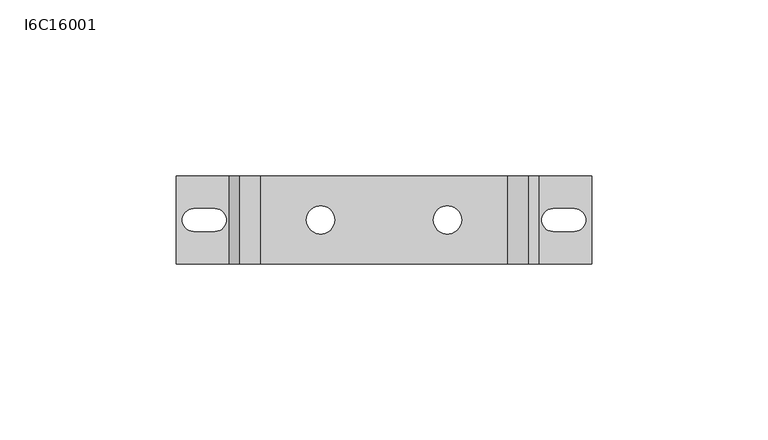
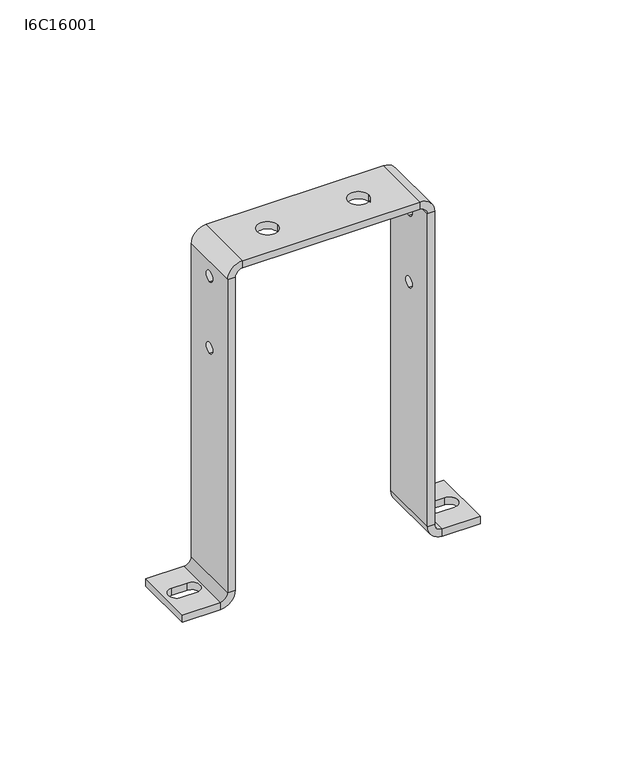
"""IFC4 building model written with IfcOpenShell, lengths in millimetres: proxy geometry, I6C16001."""

from ifc_helpers import new_model, si_unit, frame, origin, place, context, project, spatial, polyline, circle_curve, source, transform, mapped, element, save
from ifc_brep_helpers import plane_surface, cylinder_surface, revolved_surface, advanced_brep


def i6c16001_24a55386(model_context):
    return source(origin(), model_context, "Body", "AdvancedBrep", [
        advanced_brep(
        [(-41.0, 0.0, 95.75), (-38.0, 0.0, 95.75), (-38.0, 0.0, 100.25), (-41.0, 0.0, 100.25), (38.0, 0.0, 95.75), (41.0, 0.0, 95.75), (41.0, 0.0, 100.25), (38.0, 0.0, 100.25), (-41.0, 0.0, 125.75), (-38.0, 0.0, 125.75), (-38.0, 0.0, 130.25), (-41.0, 0.0, 130.25), (38.0, 0.0, 125.75), (41.0, 0.0, 125.75), (41.0, 0.0, 130.25), (38.0, 0.0, 130.25), (-22.0, 0.0, 137.0), (-22.0, 0.0, 140.0), (-14.0, 0.0, 140.0), (-14.0, 0.0, 137.0), (14.0, 0.0, 137.0), (14.0, 0.0, 140.0), (22.0, 0.0, 140.0), (22.0, 0.0, 137.0), (-48.0, -3.25, 0.0), (-48.0, 3.25, 0.0), (-48.0, 3.25, -3.0), (-48.0, -3.25, -3.0), (-54.0, 3.25, 0.0), (-54.0, 3.25, -3.0), (-54.0, -3.25, 0.0), (-54.0, -3.25, -3.0), (54.0, -3.25, 0.0), (54.0, 3.25, 0.0), (54.0, 3.25, -3.0), (54.0, -3.25, -3.0), (48.0, 3.25, 0.0), (48.0, 3.25, -3.0), (48.0, -3.25, 0.0), (48.0, -3.25, -3.0), (-44.0, -12.5, -3.0), (-44.0, -12.5, 0.0), (-59.0, -12.5, 0.0), (-59.0, -12.5, -3.0), (-44.0, 12.5, -3.0), (-38.0, 12.5, 3.0), (-38.0, -12.5, 3.0), (-44.0, 12.5, 0.0), (-59.0, 12.5, 0.0), (-41.0, 12.5, 3.0), (-59.0, 12.5, -3.0), (-41.0, -12.5, 3.0), (-41.0, -12.5, 134.0), (-41.0, 12.5, 134.0), (-38.0, -12.5, 134.0), (-38.0, 12.5, 134.0), (-35.0, 12.5, 137.0), (-35.0, -12.5, 137.0), (-35.0, 12.5, 140.0), (-35.0, -12.5, 140.0), (35.0, -12.5, 140.0), (35.0, 12.5, 140.0), (35.0, -12.5, 137.0), (35.0, 12.5, 137.0), (38.0, 12.5, 134.0), (38.0, -12.5, 134.0), (41.0, 12.5, 134.0), (41.0, -12.5, 134.0), (41.0, -12.5, 3.0), (41.0, 12.5, 3.0), (38.0, -12.5, 3.0), (38.0, 12.5, 3.0), (44.0, 12.5, -3.0), (44.0, -12.5, -3.0), (44.0, 12.5, 0.0), (44.0, -12.5, 0.0), (59.0, -12.5, 0.0), (59.0, 12.5, 0.0), (59.0, -12.5, -3.0), (59.0, 12.5, -3.0)],
        [
            (0, 1),
            (1, 2, circle_curve(frame((-38.0, 0.0, 98.0), z_axis=(1.0, 0.0, 0.0), x_axis=(0.0, 0.0, -1.0)), 2.25)),
            (2, 3),
            (3, 0, circle_curve(frame((-41.0, 0.0, 98.0), z_axis=(-1.0, 0.0, 0.0), x_axis=(0.0, 0.0, -1.0)), 2.25)),
            (4, 5),
            (5, 6, circle_curve(frame((41.0, 0.0, 98.0), z_axis=(1.0, 0.0, 0.0), x_axis=(0.0, 0.0, -1.0)), 2.25)),
            (6, 7),
            (7, 4, circle_curve(frame((38.0, 0.0, 98.0), z_axis=(-1.0, 0.0, 0.0), x_axis=(0.0, 0.0, -1.0)), 2.25)),
            (8, 9),
            (9, 10, circle_curve(frame((-38.0, 0.0, 128.0), z_axis=(1.0, 0.0, 0.0), x_axis=(0.0, 0.0, -1.0)), 2.25)),
            (10, 11),
            (11, 8, circle_curve(frame((-41.0, 0.0, 128.0), z_axis=(-1.0, 0.0, 0.0), x_axis=(0.0, 0.0, -1.0)), 2.25)),
            (12, 13),
            (13, 14, circle_curve(frame((41.0, 0.0, 128.0), z_axis=(1.0, 0.0, 0.0), x_axis=(0.0, 0.0, -1.0)), 2.25)),
            (14, 15),
            (15, 12, circle_curve(frame((38.0, 0.0, 128.0), z_axis=(-1.0, 0.0, 0.0), x_axis=(0.0, 0.0, -1.0)), 2.25)),
            (16, 17),
            (17, 18, circle_curve(frame((-18.0, 0.0, 140.0), z_axis=(0.0, 0.0, 1.0), x_axis=(-1.0, 0.0, 0.0)), 4.0)),
            (18, 19),
            (19, 16, circle_curve(frame((-18.0, 0.0, 137.0), z_axis=(0.0, 0.0, -1.0), x_axis=(-1.0, 0.0, 0.0)), 4.0)),
            (20, 21),
            (21, 22, circle_curve(frame((18.0, 0.0, 140.0), z_axis=(0.0, 0.0, 1.0), x_axis=(-1.0, 0.0, 0.0)), 4.0)),
            (22, 23),
            (23, 20, circle_curve(frame((18.0, 0.0, 137.0), z_axis=(0.0, 0.0, -1.0), x_axis=(-1.0, 0.0, 0.0)), 4.0)),
            (20, 23, circle_curve(frame((18.0, 0.0, 137.0), z_axis=(0.0, 0.0, -1.0), x_axis=(-1.0, 0.0, 0.0)), 4.0)),
            (22, 21, circle_curve(frame((18.0, 0.0, 140.0), z_axis=(0.0, 0.0, 1.0), x_axis=(-1.0, 0.0, 0.0)), 4.0)),
            (16, 19, circle_curve(frame((-18.0, 0.0, 137.0), z_axis=(0.0, 0.0, -1.0), x_axis=(-1.0, 0.0, 0.0)), 4.0)),
            (18, 17, circle_curve(frame((-18.0, 0.0, 140.0), z_axis=(0.0, 0.0, 1.0), x_axis=(-1.0, 0.0, 0.0)), 4.0)),
            (24, 25, circle_curve(frame((-48.0, 0.0, 0.0), z_axis=(0.0, 0.0, 1.0), x_axis=(0.0, -1.0, 0.0)), 3.25)),
            (25, 26),
            (26, 27, circle_curve(frame((-48.0, 0.0, -3.0), z_axis=(0.0, 0.0, -1.0), x_axis=(0.0, -1.0, 0.0)), 3.25)),
            (27, 24),
            (25, 28),
            (28, 29),
            (29, 26),
            (28, 30, circle_curve(frame((-54.0, 0.0, 0.0), z_axis=(0.0, 0.0, 1.0), x_axis=(0.0, 1.0, 0.0)), 3.25)),
            (30, 31),
            (31, 29, circle_curve(frame((-54.0, 0.0, -3.0), z_axis=(0.0, 0.0, -1.0), x_axis=(0.0, 1.0, 0.0)), 3.25)),
            (30, 24),
            (27, 31),
            (32, 33, circle_curve(frame((54.0, 0.0, 0.0), z_axis=(0.0, 0.0, 1.0), x_axis=(0.0, -1.0, 0.0)), 3.25)),
            (33, 34),
            (34, 35, circle_curve(frame((54.0, 0.0, -3.0), z_axis=(0.0, 0.0, -1.0), x_axis=(0.0, -1.0, 0.0)), 3.25)),
            (35, 32),
            (33, 36),
            (36, 37),
            (37, 34),
            (36, 38, circle_curve(frame((48.0, 0.0, 0.0), z_axis=(0.0, 0.0, 1.0), x_axis=(0.0, 1.0, 0.0)), 3.25)),
            (38, 39),
            (39, 37, circle_curve(frame((48.0, 0.0, -3.0), z_axis=(0.0, 0.0, -1.0), x_axis=(0.0, 1.0, 0.0)), 3.25)),
            (38, 32),
            (35, 39),
            (12, 15, circle_curve(frame((38.0, 0.0, 128.0), z_axis=(-1.0, 0.0, 0.0), x_axis=(0.0, 0.0, -1.0)), 2.25)),
            (14, 13, circle_curve(frame((41.0, 0.0, 128.0), z_axis=(1.0, 0.0, 0.0), x_axis=(0.0, 0.0, -1.0)), 2.25)),
            (8, 11, circle_curve(frame((-41.0, 0.0, 128.0), z_axis=(-1.0, 0.0, 0.0), x_axis=(0.0, 0.0, -1.0)), 2.25)),
            (10, 9, circle_curve(frame((-38.0, 0.0, 128.0), z_axis=(1.0, 0.0, 0.0), x_axis=(0.0, 0.0, -1.0)), 2.25)),
            (4, 7, circle_curve(frame((38.0, 0.0, 98.0), z_axis=(-1.0, 0.0, 0.0), x_axis=(0.0, 0.0, -1.0)), 2.25)),
            (6, 5, circle_curve(frame((41.0, 0.0, 98.0), z_axis=(1.0, 0.0, 0.0), x_axis=(0.0, 0.0, -1.0)), 2.25)),
            (0, 3, circle_curve(frame((-41.0, 0.0, 98.0), z_axis=(-1.0, 0.0, 0.0), x_axis=(0.0, 0.0, -1.0)), 2.25)),
            (2, 1, circle_curve(frame((-38.0, 0.0, 98.0), z_axis=(1.0, 0.0, 0.0), x_axis=(0.0, 0.0, -1.0)), 2.25)),
            (40, 41),
            (41, 42),
            (42, 43),
            (43, 40),
            (40, 44),
            (44, 45, circle_curve(frame((-44.0, 12.5, 3.0), z_axis=(0.0, -1.0, 0.0), x_axis=(1.0, 0.0, 0.0)), 6.0)),
            (45, 46),
            (46, 40, circle_curve(frame((-44.0, -12.5, 3.0), z_axis=(0.0, 1.0, 0.0), x_axis=(1.0, 0.0, 0.0)), 6.0)),
            (41, 47),
            (47, 48),
            (48, 42),
            (44, 47),
            (47, 49, circle_curve(frame((-44.0, 12.5, 3.0), z_axis=(0.0, -1.0, 0.0), x_axis=(1.0, 0.0, 0.0)), 3.0)),
            (49, 45),
            (44, 50),
            (50, 48),
            (49, 51),
            (51, 52),
            (52, 53),
            (53, 49),
            (43, 50),
            (51, 46),
            (46, 54),
            (54, 52),
            (51, 41, circle_curve(frame((-44.0, -12.5, 3.0), z_axis=(0.0, 1.0, 0.0), x_axis=(1.0, 0.0, 0.0)), 3.0)),
            (54, 55),
            (55, 56, circle_curve(frame((-35.0, 12.5, 134.0), z_axis=(0.0, 1.0, 0.0), x_axis=(0.0, 0.0, 1.0)), 3.0)),
            (56, 57),
            (57, 54, circle_curve(frame((-35.0, -12.5, 134.0), z_axis=(0.0, -1.0, 0.0), x_axis=(0.0, 0.0, 1.0)), 3.0)),
            (55, 53),
            (53, 58, circle_curve(frame((-35.0, 12.5, 134.0), z_axis=(0.0, 1.0, 0.0), x_axis=(0.0, 0.0, 1.0)), 6.0)),
            (58, 56),
            (55, 45),
            (58, 59),
            (59, 60),
            (60, 61),
            (61, 58),
            (59, 57),
            (57, 62),
            (62, 60),
            (59, 52, circle_curve(frame((-35.0, -12.5, 134.0), z_axis=(0.0, -1.0, 0.0), x_axis=(0.0, 0.0, 1.0)), 6.0)),
            (62, 63),
            (63, 64, circle_curve(frame((35.0, 12.5, 134.0), z_axis=(0.0, 1.0, 0.0), x_axis=(1.0, 0.0, 0.0)), 3.0)),
            (64, 65),
            (65, 62, circle_curve(frame((35.0, -12.5, 134.0), z_axis=(0.0, -1.0, 0.0), x_axis=(1.0, 0.0, 0.0)), 3.0)),
            (63, 61),
            (61, 66, circle_curve(frame((35.0, 12.5, 134.0), z_axis=(0.0, 1.0, 0.0), x_axis=(1.0, 0.0, 0.0)), 6.0)),
            (66, 64),
            (63, 56),
            (66, 67),
            (67, 68),
            (68, 69),
            (69, 66),
            (67, 65),
            (65, 70),
            (70, 68),
            (67, 60, circle_curve(frame((35.0, -12.5, 134.0), z_axis=(0.0, -1.0, 0.0), x_axis=(1.0, 0.0, 0.0)), 6.0)),
            (70, 71),
            (71, 72, circle_curve(frame((44.0, 12.5, 3.0), z_axis=(0.0, -1.0, 0.0), x_axis=(0.0, 0.0, -1.0)), 6.0)),
            (72, 73),
            (73, 70, circle_curve(frame((44.0, -12.5, 3.0), z_axis=(0.0, 1.0, 0.0), x_axis=(0.0, 0.0, -1.0)), 6.0)),
            (71, 69),
            (69, 74, circle_curve(frame((44.0, 12.5, 3.0), z_axis=(0.0, -1.0, 0.0), x_axis=(0.0, 0.0, -1.0)), 3.0)),
            (74, 72),
            (74, 75),
            (75, 76),
            (76, 77),
            (77, 74),
            (71, 64),
            (75, 73),
            (73, 78),
            (78, 76),
            (77, 79),
            (79, 72),
            (78, 79),
            (75, 68, circle_curve(frame((44.0, -12.5, 3.0), z_axis=(0.0, 1.0, 0.0), x_axis=(0.0, 0.0, -1.0)), 3.0)),
        ],
        [
            revolved_surface(polyline([(-38.0, 0.0, 95.75), (-41.0, 0.0, 95.75)]), (-146.077524, 0.0, 98.0), (1.0, 0.0, 0.0)),
            revolved_surface(polyline([(41.0, 0.0, 95.75), (38.0, 0.0, 95.75)]), (-146.077524, 0.0, 98.0), (1.0, 0.0, 0.0)),
            revolved_surface(polyline([(-38.0, 0.0, 125.75), (-41.0, 0.0, 125.75)]), (-146.077524, 0.0, 128.0), (1.0, 0.0, 0.0)),
            revolved_surface(polyline([(41.0, 0.0, 125.75), (38.0, 0.0, 125.75)]), (-146.077524, 0.0, 128.0), (1.0, 0.0, 0.0)),
            revolved_surface(polyline([(-22.0, 0.0, 137.0), (-22.0, 0.0, 140.0)]), (-18.0, 0.0, 140.0), (0.0, 0.0, -1.0)),
            revolved_surface(polyline([(14.0, 0.0, 137.0), (14.0, 0.0, 140.0)]), (18.0, 0.0, 140.0), (0.0, 0.0, -1.0)),
            revolved_surface(polyline([(-48.0, -3.25, -3.0), (-48.0, -3.25, 0.0)]), (-48.0, 0.0, 0.0), (0.0, 0.0, -1.0)),
            plane_surface(frame((-54.0, 3.25, 0.0), z_axis=(0.0, -1.0, 0.0), x_axis=(1.0, 0.0, 0.0))),
            revolved_surface(polyline([(-54.0, 3.25, -3.0), (-54.0, 3.25, 0.0)]), (-54.0, 0.0, 0.0), (0.0, 0.0, -1.0)),
            plane_surface(frame((-48.0, -3.25, 0.0), z_axis=(0.0, 1.0, 0.0), x_axis=(-1.0, 0.0, 0.0))),
            revolved_surface(polyline([(54.0, -3.25, -3.0), (54.0, -3.25, 0.0)]), (54.0, 0.0, 0.0), (0.0, 0.0, -1.0)),
            plane_surface(frame((48.0, 3.25, 0.0), z_axis=(0.0, -1.0, 0.0), x_axis=(1.0, 0.0, 0.0))),
            revolved_surface(polyline([(48.0, 3.25, -3.0), (48.0, 3.25, 0.0)]), (48.0, 0.0, 0.0), (0.0, 0.0, -1.0)),
            plane_surface(frame((54.0, -3.25, 0.0), z_axis=(0.0, 1.0, 0.0), x_axis=(-1.0, 0.0, 0.0))),
            plane_surface(frame((-44.0, -12.5, -3.0), z_axis=(0.0, -1.0, 0.0), x_axis=(0.0, 0.0, -1.0))),
            cylinder_surface(frame((-44.0, 0.0, 3.0), z_axis=(0.0, 1.0, 0.0), x_axis=(1.0, 0.0, 0.0)), 6.0),
            plane_surface(frame((135.5716803, 0.0, 0.0), z_axis=(0.0, 0.0, 1.0), x_axis=(1.0, 0.0, 0.0))),
            plane_surface(frame((-44.0, 12.5, 0.0), z_axis=(0.0, 1.0, 0.0), x_axis=(0.0, 0.0, 1.0))),
            plane_surface(frame((315.1433605, 12.5, -3.0), z_axis=(0.0, 1.0, 0.0), x_axis=(0.0, 0.0, 1.0))),
            plane_surface(frame((-41.0, 0.0, 175.7858401), z_axis=(-1.0, 0.0, 0.0), x_axis=(0.0, 0.0, 1.0))),
            plane_surface(frame((135.5716803, 0.0, -3.0), z_axis=(0.0, 0.0, -1.0), x_axis=(1.0, 0.0, 0.0))),
            plane_surface(frame((-38.0, -12.5, -3.7858401), z_axis=(0.0, -1.0, 0.0), x_axis=(1.0, 0.0, 0.0))),
            revolved_surface(polyline([(-35.0, -12.5, 137.0), (-35.0, 12.5, 137.0)]), (-35.0, 0.0, 134.0), (0.0, -1.0, 0.0)),
            revolved_surface(polyline([(-41.0, 12.5, 3.0), (-41.0, -12.5, 3.0)]), (-44.0, 0.0, 3.0), (0.0, 1.0, 0.0)),
            plane_surface(frame((-41.0, 12.5, 134.0), z_axis=(0.0, 1.0, 0.0), x_axis=(0.0, 0.0, 1.0))),
            plane_surface(frame((-38.0, 12.5, 355.3575204), z_axis=(0.0, 1.0, 0.0), x_axis=(-1.0, 0.0, 0.0))),
            plane_surface(frame((0.0, 0.0, 140.0), z_axis=(0.0, 0.0, 1.0), x_axis=(1.0, 0.0, 0.0))),
            plane_surface(frame((-38.0, 0.0, 175.7858401), z_axis=(1.0, 0.0, 0.0), x_axis=(0.0, 0.0, 1.0))),
            plane_surface(frame((-179.5716803, -12.5, 137.0), z_axis=(0.0, -1.0, 0.0), x_axis=(0.0, 0.0, -1.0))),
            plane_surface(frame((-38.0, -12.5, 134.0), z_axis=(0.0, -1.0, 0.0), x_axis=(0.0, 0.0, -1.0))),
            revolved_surface(polyline([(38.0, -12.5, 134.0), (38.0, 12.5, 134.0)]), (35.0, 0.0, 134.0), (0.0, -1.0, 0.0)),
            cylinder_surface(frame((-35.0, 0.0, 134.0), z_axis=(0.0, -1.0, 0.0), x_axis=(0.0, 0.0, 1.0)), 6.0),
            plane_surface(frame((35.0, 12.5, 140.0), z_axis=(0.0, 1.0, 0.0), x_axis=(0.0, 0.0, 1.0))),
            plane_surface(frame((179.5716803, 12.5, 137.0), z_axis=(0.0, 1.0, 0.0), x_axis=(0.0, 0.0, 1.0))),
            plane_surface(frame((41.0, 0.0, 175.7858401), z_axis=(1.0, 0.0, 0.0), x_axis=(0.0, 0.0, -1.0))),
            plane_surface(frame((0.0, 0.0, 137.0), z_axis=(0.0, 0.0, -1.0), x_axis=(1.0, 0.0, 0.0))),
            plane_surface(frame((38.0, -12.5, 355.3575204), z_axis=(0.0, -1.0, 0.0), x_axis=(-1.0, 0.0, 0.0))),
            plane_surface(frame((35.0, -12.5, 137.0), z_axis=(0.0, -1.0, 0.0), x_axis=(0.0, 0.0, -1.0))),
            cylinder_surface(frame((44.0, 0.0, 3.0), z_axis=(0.0, 1.0, 0.0), x_axis=(0.0, 0.0, -1.0)), 6.0),
            cylinder_surface(frame((35.0, 0.0, 134.0), z_axis=(0.0, -1.0, 0.0), x_axis=(1.0, 0.0, 0.0)), 6.0),
            plane_surface(frame((41.0, 12.5, 3.0), z_axis=(0.0, 1.0, 0.0), x_axis=(0.0, 0.0, 1.0))),
            plane_surface(frame((-135.5716803, 0.0, 0.0), z_axis=(0.0, 0.0, 1.0), x_axis=(1.0, 0.0, 0.0))),
            plane_surface(frame((38.0, 12.5, -3.7858401), z_axis=(0.0, 1.0, 0.0), x_axis=(1.0, 0.0, 0.0))),
            plane_surface(frame((38.0, 0.0, 175.7858401), z_axis=(-1.0, 0.0, 0.0), x_axis=(0.0, 0.0, -1.0))),
            plane_surface(frame((-315.1433605, -12.5, -3.0), z_axis=(0.0, -1.0, 0.0), x_axis=(0.0, 0.0, -1.0))),
            plane_surface(frame((44.0, 12.5, -3.0), z_axis=(0.0, 1.0, 0.0), x_axis=(0.0, 0.0, 1.0))),
            plane_surface(frame((59.0, 12.5, -3.0), z_axis=(1.0, 0.0, 0.0), x_axis=(0.0, 0.0, -1.0))),
            plane_surface(frame((38.0, -12.5, 3.0), z_axis=(0.0, -1.0, 0.0), x_axis=(0.0, 0.0, -1.0))),
            plane_surface(frame((-59.0, -12.5, -3.0), z_axis=(-1.0, 0.0, 0.0), x_axis=(0.0, 0.0, 1.0))),
            revolved_surface(polyline([(44.0, 12.5, 0.0), (44.0, -12.5, 0.0)]), (44.0, 0.0, 3.0), (0.0, 1.0, 0.0)),
            plane_surface(frame((-135.5716803, 0.0, -3.0), z_axis=(0.0, 0.0, -1.0), x_axis=(1.0, 0.0, 0.0))),
        ],
        [
            (0, [[1, 2, 3, 4]]),
            (1, [[5, 6, 7, 8]]),
            (2, [[9, 10, 11, 12]]),
            (3, [[13, 14, 15, 16]]),
            (4, [[17, 18, 19, 20]]),
            (5, [[21, 22, 23, 24]]),
            (5, [[-21, 25, -23, 26]]),
            (4, [[-17, 27, -19, 28]]),
            (6, [[29, 30, 31, 32]]),
            (7, [[33, 34, 35, -30]]),
            (8, [[36, 37, 38, -34]]),
            (9, [[39, -32, 40, -37]]),
            (10, [[41, 42, 43, 44]]),
            (11, [[45, 46, 47, -42]]),
            (12, [[48, 49, 50, -46]]),
            (13, [[51, -44, 52, -49]]),
            (3, [[-13, 53, -15, 54]]),
            (2, [[-9, 55, -11, 56]]),
            (1, [[-5, 57, -7, 58]]),
            (0, [[-1, 59, -3, 60]]),
            (14, [[61, 62, 63, 64]]),
            (15, [[65, 66, 67, 68]]),
            (16, [[69, 70, 71, -62], [-29, -39, -36, -33]]),
            (17, [[72, 73, 74, -66]]),
            (18, [[-72, 75, 76, -70]]),
            (19, [[77, 78, 79, 80], [-55, -12], [-59, -4]]),
            (20, [[-65, -64, 81, -75], [-31, -35, -38, -40]]),
            (21, [[82, 83, 84, -78]]),
            (14, [[-61, -68, -82, 85]]),
            (22, [[86, 87, 88, 89]]),
            (23, [[-69, -85, -77, -73]]),
            (24, [[90, 91, 92, -87]]),
            (25, [[-74, -80, -90, 93]]),
            (26, [[94, 95, 96, 97], [-18, -28], [-22, -26]]),
            (27, [[-67, -93, -86, -83], [-2, -60], [-10, -56]]),
            (28, [[98, 99, 100, -95]]),
            (29, [[-84, -89, -98, 101]]),
            (30, [[102, 103, 104, 105]]),
            (31, [[-79, -101, -94, -91]]),
            (32, [[106, 107, 108, -103]]),
            (33, [[-92, -97, -106, 109]]),
            (34, [[110, 111, 112, 113], [-54, -14], [-58, -6]]),
            (35, [[-88, -109, -102, -99], [-25, -24], [-27, -20]]),
            (36, [[114, 115, 116, -111]]),
            (37, [[-100, -105, -114, 117]]),
            (38, [[118, 119, 120, 121]]),
            (39, [[-96, -117, -110, -107]]),
            (40, [[122, 123, 124, -119]]),
            (41, [[125, 126, 127, 128], [-41, -51, -48, -45]]),
            (42, [[-108, -113, -122, 129]]),
            (43, [[-104, -129, -118, -115], [-53, -16], [-57, -8]]),
            (44, [[130, 131, 132, -126]]),
            (45, [[-124, -128, 133, 134]]),
            (46, [[-127, -132, 135, -133]]),
            (47, [[-116, -121, -130, 136]]),
            (48, [[-71, -76, -81, -63]]),
            (49, [[-112, -136, -125, -123]]),
            (50, [[-120, -134, -135, -131], [-43, -47, -50, -52]]),
        ],
    ),
    ])


if __name__ == "__main__":
    model = new_model("IFC4")
    model_context = context("Model", 3, world=origin())
    ifc_project = project(units=[si_unit("LENGTHUNIT", "METRE", prefix="MILLI")], contexts=[model_context])
    site = spatial("IfcSite", under=ifc_project)
    building = spatial("IfcBuilding", under=site)
    placement = place(None, origin())
    i6c16001_shape = i6c16001_24a55386(model_context)
    element("IfcBuildingElementProxy", 1, Name="I6C16001", ObjectType="I6C16001", at=placement, inside=building, context=model_context, shape_type="MappedRepresentation", body=[
        mapped(i6c16001_shape, transform((0.0, 0.0, 0.0), x_axis=(1.0, 0.0, 0.0), y_axis=(0.0, 1.0, 0.0), z_axis=(0.0, 0.0, 1.0))),
    ])
    save(model, "model.ifc")
